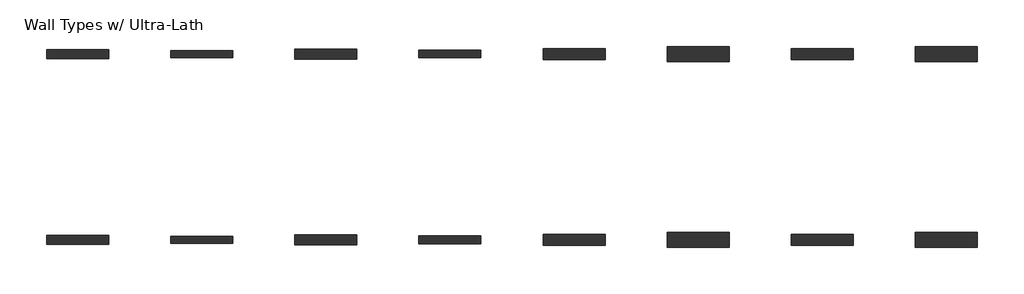
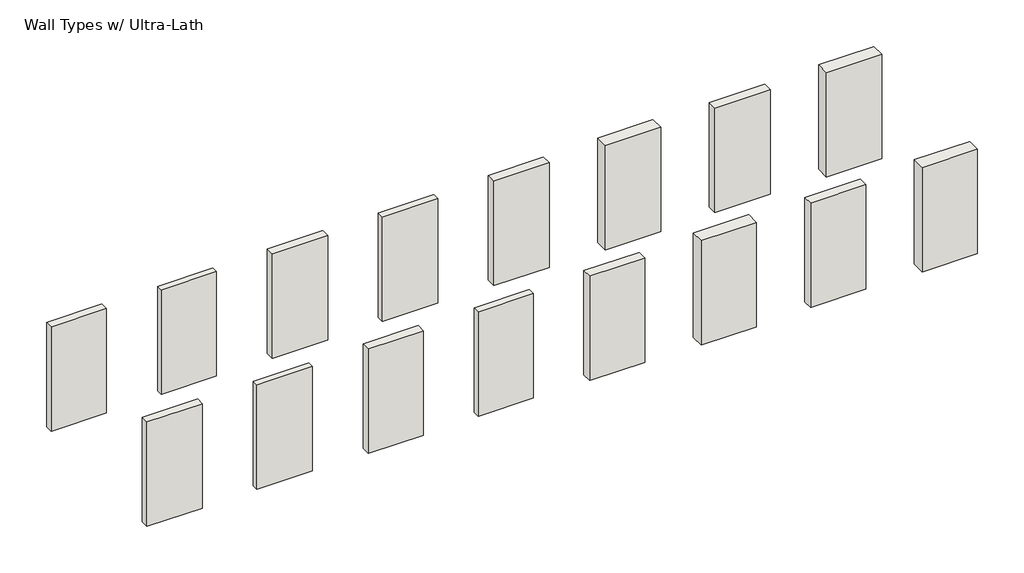
# One storey: 16 walls.
"""IFC4 building model written with IfcOpenShell, lengths in millimetres."""

from ifc_helpers import new_model, si_unit, origin, origin_with_axes, place, context, project, spatial, polyline, outline, extrude, element, save

model = new_model("IFC4")

# Units and contexts
model_context = context("Model", 3, world=origin())
ifc_project = project(units=[si_unit("LENGTHUNIT", "METRE", prefix="MILLI")], contexts=[model_context])

# Site, building, storey
site = spatial("IfcSite", under=ifc_project)
building = spatial("IfcBuilding", under=site)
storey = spatial("IfcBuildingStorey", under=building, Name="Wall Types w/ Ultra-Lath", Elevation=0.0)

# Walls
placement = place(None, origin())
element("IfcWall", 1, at=placement, inside=storey, context=model_context, shape_type="SweptSolid", body=[
    extrude(outline(polyline([(8525.3425051, 9050.1261744), (7001.3425051, 9050.1261744), (7001.3425051, 9270.7886744), (8525.3425051, 9270.7886744), (8525.3425051, 9050.1261744)])), origin_with_axes(), (0.0, 0.0, 1.0), 3048.0),
])
element("IfcWall", 2, at=placement, inside=storey, context=model_context, shape_type="SweptSolid", body=[
    extrude(outline(polyline([(11573.3425051, 9075.5261744), (10049.3425051, 9075.5261744), (10049.3425051, 9245.3886744), (11573.3425051, 9245.3886744), (11573.3425051, 9075.5261744)])), origin_with_axes(), (0.0, 0.0, 1.0), 3048.0),
])
element("IfcWall", 3, at=placement, inside=storey, context=model_context, shape_type="SweptSolid", body=[
    extrude(outline(polyline([(14621.3425051, 9039.0136744), (13097.3425051, 9039.0136744), (13097.3425051, 9281.9011744), (14621.3425051, 9281.9011744), (14621.3425051, 9039.0136744)])), origin_with_axes(), (0.0, 0.0, 1.0), 3048.0),
])
element("IfcWall", 4, at=placement, inside=storey, context=model_context, shape_type="SweptSolid", body=[
    extrude(outline(polyline([(17669.3425051, 9064.4136744), (16145.3425051, 9064.4136744), (16145.3425051, 9256.5011744), (17669.3425051, 9256.5011744), (17669.3425051, 9064.4136744)])), origin_with_axes(), (0.0, 0.0, 1.0), 3048.0),
])
element("IfcWall", 5, at=placement, inside=storey, context=model_context, shape_type="SweptSolid", body=[
    extrude(outline(polyline([(20717.3425051, 9026.3136744), (19193.3425051, 9026.3136744), (19193.3425051, 9294.6011744), (20717.3425051, 9294.6011744), (20717.3425051, 9026.3136744)])), origin_with_axes(), (0.0, 0.0, 1.0), 3048.0),
])
element("IfcWall", 6, at=placement, inside=storey, context=model_context, shape_type="SweptSolid", body=[
    extrude(outline(polyline([(23765.3425051, 8975.5136744), (22241.3425051, 8975.5136744), (22241.3425051, 9345.4011744), (23765.3425051, 9345.4011744), (23765.3425051, 8975.5136744)])), origin_with_axes(), (0.0, 0.0, 1.0), 3048.0),
])
element("IfcWall", 7, at=placement, inside=storey, context=model_context, shape_type="SweptSolid", body=[
    extrude(outline(polyline([(26813.3425051, 9026.3136744), (25289.3425051, 9026.3136744), (25289.3425051, 9294.6011744), (26813.3425051, 9294.6011744), (26813.3425051, 9026.3136744)])), origin_with_axes(), (0.0, 0.0, 1.0), 3048.0),
])
element("IfcWall", 8, at=placement, inside=storey, context=model_context, shape_type="SweptSolid", body=[
    extrude(outline(polyline([(29861.3425051, 8975.5136744), (28337.3425051, 8975.5136744), (28337.3425051, 9345.4011744), (29861.3425051, 9345.4011744), (29861.3425051, 8975.5136744)])), origin_with_axes(), (0.0, 0.0, 1.0), 3048.0),
])
element("IfcWall", 9, at=placement, inside=storey, context=model_context, shape_type="SweptSolid", body=[
    extrude(outline(polyline([(8525.3425051, 4478.1261744), (7001.3425051, 4478.1261744), (7001.3425051, 4698.7886744), (8525.3425051, 4698.7886744), (8525.3425051, 4478.1261744)])), origin_with_axes(), (0.0, 0.0, 1.0), 3048.0),
])
element("IfcWall", 10, at=placement, inside=storey, context=model_context, shape_type="SweptSolid", body=[
    extrude(outline(polyline([(11573.3425051, 4503.5261744), (10049.3425051, 4503.5261744), (10049.3425051, 4673.3886744), (11573.3425051, 4673.3886744), (11573.3425051, 4503.5261744)])), origin_with_axes(), (0.0, 0.0, 1.0), 3048.0),
])
element("IfcWall", 11, at=placement, inside=storey, context=model_context, shape_type="SweptSolid", body=[
    extrude(outline(polyline([(14621.3425051, 4467.0136744), (13097.3425051, 4467.0136744), (13097.3425051, 4709.9011744), (14621.3425051, 4709.9011744), (14621.3425051, 4467.0136744)])), origin_with_axes(), (0.0, 0.0, 1.0), 3048.0),
])
element("IfcWall", 12, at=placement, inside=storey, context=model_context, shape_type="SweptSolid", body=[
    extrude(outline(polyline([(17669.3425051, 4492.4136744), (16145.3425051, 4492.4136744), (16145.3425051, 4684.5011744), (17669.3425051, 4684.5011744), (17669.3425051, 4492.4136744)])), origin_with_axes(), (0.0, 0.0, 1.0), 3048.0),
])
element("IfcWall", 13, at=placement, inside=storey, context=model_context, shape_type="SweptSolid", body=[
    extrude(outline(polyline([(20717.3425051, 4454.3136744), (19193.3425051, 4454.3136744), (19193.3425051, 4722.6011744), (20717.3425051, 4722.6011744), (20717.3425051, 4454.3136744)])), origin_with_axes(), (0.0, 0.0, 1.0), 3048.0),
])
element("IfcWall", 14, at=placement, inside=storey, context=model_context, shape_type="SweptSolid", body=[
    extrude(outline(polyline([(23765.3425051, 4403.5136744), (22241.3425051, 4403.5136744), (22241.3425051, 4773.4011744), (23765.3425051, 4773.4011744), (23765.3425051, 4403.5136744)])), origin_with_axes(), (0.0, 0.0, 1.0), 3048.0),
])
element("IfcWall", 15, at=placement, inside=storey, context=model_context, shape_type="SweptSolid", body=[
    extrude(outline(polyline([(26813.3425051, 4454.3136744), (25289.3425051, 4454.3136744), (25289.3425051, 4722.6011744), (26813.3425051, 4722.6011744), (26813.3425051, 4454.3136744)])), origin_with_axes(), (0.0, 0.0, 1.0), 3048.0),
])
element("IfcWall", 16, at=placement, inside=storey, context=model_context, shape_type="SweptSolid", body=[
    extrude(outline(polyline([(29861.3425051, 4403.5136744), (28337.3425051, 4403.5136744), (28337.3425051, 4773.4011744), (29861.3425051, 4773.4011744), (29861.3425051, 4403.5136744)])), origin_with_axes(), (0.0, 0.0, 1.0), 3048.0),
])

save(model, "model.ifc")
